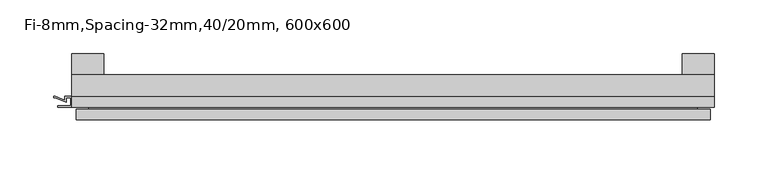
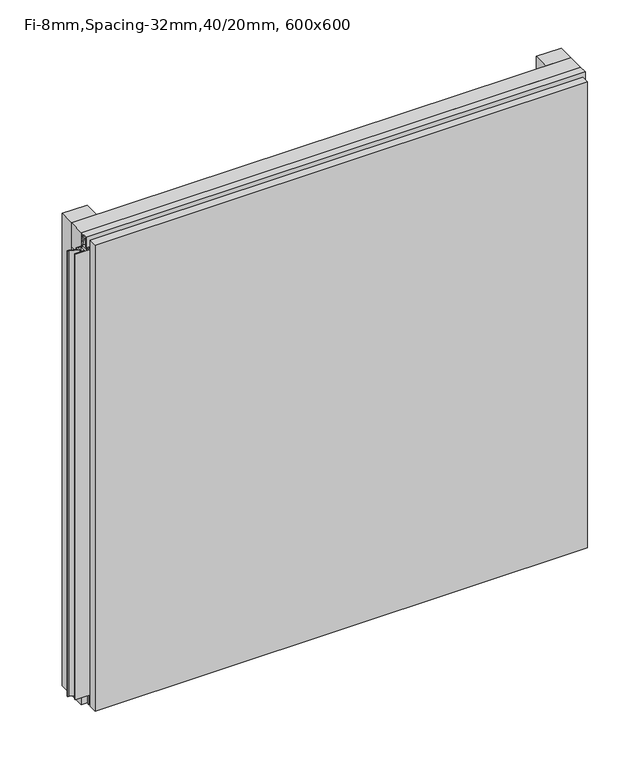
"""IFC4 building model written with IfcOpenShell, lengths in millimetres: plate geometry, Fi-8mm,Spacing-32mm,40/20mm, 600x600."""

from ifc_helpers import new_model, si_unit, frame, origin, origin_with_axes, place, context, project, spatial, polyline, outline, extrude, faceted_brep, source, transform, mapped, element, save


def fi_8mm_spacing_32mm_40_20mm_600x600_fc328b3c(model_context):
    return source(origin(), model_context, "Body", "SolidModel", [
        extrude(outline(polyline([(-300.0, -40.0), (-300.0, -20.0), (300.0, -20.0), (300.0, -40.0), (-300.0, -40.0)])), frame((0.0, 0.0, 570.0), z_axis=(0.0, 0.0, 1.0), x_axis=(1.0, 0.0, 0.0)), (0.0, 0.0, 1.0), 30.0),
        extrude(outline(polyline([(-300.0, -40.0), (-300.0, -20.0), (300.0, -20.0), (300.0, -40.0), (-300.0, -40.0)])), origin_with_axes(), (0.0, 0.0, 1.0), 30.0),
        extrude(outline(polyline([(270.0, 0.0), (300.0, 0.0), (300.0, -20.0), (270.0, -20.0), (270.0, 0.0)])), origin_with_axes(), (0.0, 0.0, 1.0), 600.0),
        extrude(outline(polyline([(-270.0, 0.0), (-270.0, -20.0), (-300.0, -20.0), (-300.0, 0.0), (-270.0, 0.0)])), origin_with_axes(), (0.0, 0.0, 1.0), 600.0),
        extrude(outline(polyline([(-40.0, 593.700916), (-43.5, 593.700916), (-40.0553267, 584.6441401), (-40.0553267, 577.008452), (-41.4553267, 577.008452), (-41.4553267, 584.4296606), (-45.5140545, 595.100916), (-41.4, 595.100916), (-41.4, 598.5843193), (-48.7, 598.5843193), (-48.7, 586.5843193), (-50.1, 586.5843193), (-50.1, 600.0), (-40.0, 600.0), (-40.0, 593.700916)])), frame((-300.0, 0.0, 0.0), z_axis=(1.0, 0.0, 0.0), x_axis=(0.0, 1.0, 0.0)), (0.0, 0.0, 1.0), 600.0),
        extrude(outline(polyline([(293.700916, -40.0), (300.0, -40.0), (300.0, -50.1), (286.5843193, -50.1), (286.5843193, -48.7), (298.5843193, -48.7), (298.5843193, -41.4), (295.100916, -41.4), (295.100916, -45.5140545), (284.4296606, -41.4553267), (277.008452, -41.4553267), (277.008452, -40.0553267), (284.6441401, -40.0553267), (293.700916, -43.5), (293.700916, -40.0)])), frame((0.0, 0.0, 16.9558599), z_axis=(0.0, 0.0, 1.0), x_axis=(1.0, 0.0, 0.0)), (0.0, 0.0, 1.0), 566.0882802),
        extrude(outline(polyline([(-300.899084, -48.7), (-300.899084, -41.4), (-304.899084, -41.4), (-304.899084, -45.5140545), (-315.5703394, -41.4553267), (-316.9558599, -41.4553267), (-316.9558599, -40.0553267), (-315.3558599, -40.0553267), (-306.299084, -43.5), (-306.299084, -40.0), (-293.700916, -40.0), (-293.700916, -43.5), (-284.6441401, -40.0553267), (-283.0441401, -40.0553267), (-283.0441401, -41.4553267), (-284.4296606, -41.4553267), (-295.100916, -45.5140545), (-295.100916, -41.4), (-299.100916, -41.4), (-299.100916, -48.7), (-287.100916, -48.7), (-287.100916, -50.1), (-312.899084, -50.1), (-312.899084, -48.7), (-300.899084, -48.7)])), frame((0.0, 0.0, 16.9558599), z_axis=(0.0, 0.0, 1.0), x_axis=(1.0, 0.0, 0.0)), (0.0, 0.0, 1.0), 566.0882802),
        faceted_brep([(296.0, -45.9, 596.0), (-296.0, -45.9, 596.0), (-296.0, -48.7, 596.0), (296.0, -48.7, 596.0), (-296.0, -61.9, 596.0), (296.0, -61.9, 596.0), (296.0, -51.9, 596.0), (-296.0, -51.9, 596.0), (-296.0, -45.9, 4.0), (296.0, -45.9, 4.0), (296.0, -48.7, 4.0), (-296.0, -48.7, 4.0), (296.0, -61.9, 4.0), (-296.0, -61.9, 4.0), (-296.0, -51.9, 4.0), (296.0, -51.9, 4.0), (284.0, -51.9, 584.0), (284.0, -51.9, 16.0), (284.0, -48.7, 16.0), (284.0, -48.7, 584.0), (-284.0, -51.9, 16.0), (-284.0, -48.7, 16.0), (-284.0, -51.9, 584.0), (-284.0, -48.7, 584.0)], [[[0, 1, 2, 3]], [[4, 5, 6, 7]], [[8, 9, 10, 11]], [[12, 13, 14, 15]], [[1, 0, 9, 8]], [[1, 8, 11, 2]], [[13, 4, 7, 14]], [[5, 4, 13, 12]], [[9, 0, 3, 10]], [[5, 12, 15, 6]], [[16, 17, 18, 19]], [[18, 17, 20, 21]], [[21, 20, 22, 23]], [[16, 19, 23, 22]], [[7, 6, 15, 14], [17, 16, 22, 20]], [[3, 2, 11, 10], [19, 18, 21, 23]]]),
    ])


if __name__ == "__main__":
    model = new_model("IFC4")
    model_context = context("Model", 3, world=origin())
    ifc_project = project(units=[si_unit("LENGTHUNIT", "METRE", prefix="MILLI")], contexts=[model_context])
    site = spatial("IfcSite", under=ifc_project)
    building = spatial("IfcBuilding", under=site)
    placement = place(None, origin())
    fi_8mm_spacing_32mm_40_20mm_600x600_shape = fi_8mm_spacing_32mm_40_20mm_600x600_fc328b3c(model_context)
    element("IfcPlate", 1, ObjectType="Fi-8mm,Spacing-32mm,40/20mm, 600x600", at=placement, inside=building, context=model_context, shape_type="MappedRepresentation", body=[
        mapped(fi_8mm_spacing_32mm_40_20mm_600x600_shape, transform((0.0, 0.0, 0.0), x_axis=(1.0, 0.0, 0.0), y_axis=(0.0, 1.0, 0.0), z_axis=(0.0, 0.0, 1.0))),
    ])
    save(model, "model.ifc")
